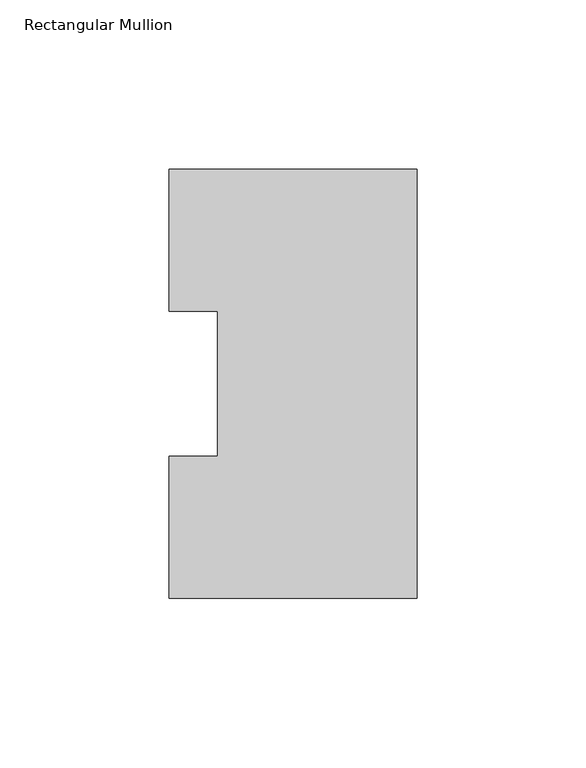
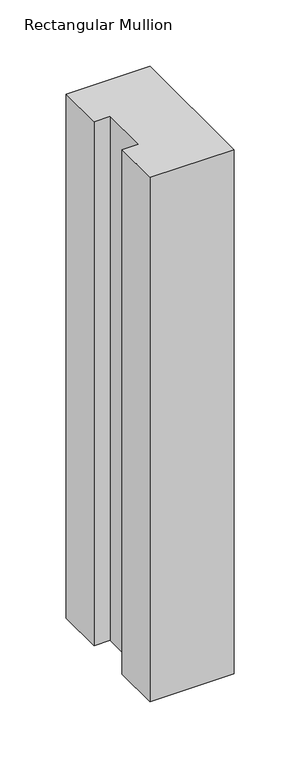
"""IFC4 building model written with IfcOpenShell, lengths in millimetres: member geometry, Rectangular Mullion."""

from ifc_helpers import new_model, si_unit, frame, origin, place, context, project, spatial, polyline, outline, extrude, source, transform, mapped, element, save


def rectangular_mullion_dc9fc034(model_context):
    return source(origin(), model_context, "Body", "SweptSolid", [
        extrude(outline(polyline([(0.0, 126.4546937), (0.0, -0.0373063), (-73.025, -0.0373063), (-73.025, 41.7837937), (-58.7375, 41.7837937), (-58.7375, 84.6335938), (-73.025, 84.6335938), (-73.025, 126.4546937), (0.0, 126.4546937)])), frame((0.0, 0.0, -482.6), z_axis=(0.0, 0.0, 1.0), x_axis=(1.0, 0.0, 0.0)), (0.0, 0.0, 1.0), 482.6),
    ])


if __name__ == "__main__":
    model = new_model("IFC4")
    model_context = context("Model", 3, world=origin())
    ifc_project = project(units=[si_unit("LENGTHUNIT", "METRE", prefix="MILLI")], contexts=[model_context])
    site = spatial("IfcSite", under=ifc_project)
    building = spatial("IfcBuilding", under=site)
    placement = place(None, origin())
    rectangular_mullion_shape = rectangular_mullion_dc9fc034(model_context)
    element("IfcMember", 1, ObjectType="Rectangular Mullion", at=placement, inside=building, context=model_context, shape_type="MappedRepresentation", body=[
        mapped(rectangular_mullion_shape, transform((0.0, 0.0, 0.0), x_axis=(1.0, 0.0, 0.0), y_axis=(0.0, 1.0, 0.0), z_axis=(0.0, 0.0, 1.0))),
    ])
    save(model, "model.ifc")
